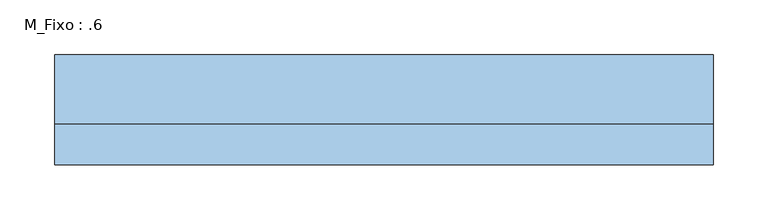
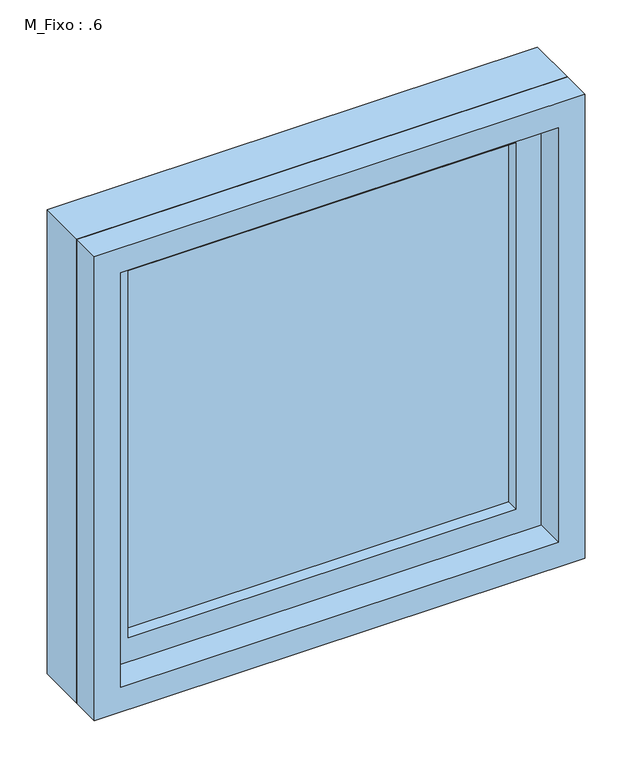
"""IFC4 building model written with IfcOpenShell, lengths in millimetres: window geometry, M_Fixo : .6."""

from ifc_helpers import new_model, si_unit, frame, origin, place, context, project, spatial, polyline, outline, extrude, source, transform, mapped, element, save


def m_fixo_6_28202dff(model_context):
    return source(origin(), model_context, "Body", "SweptSolid", [
        extrude(outline(polyline([(-237.0, 28.0), (237.0, 28.0), (237.0, 16.0), (-237.0, 16.0), (-237.0, 28.0)])), frame((0.0, 0.0, 1163.0), z_axis=(0.0, 0.0, 1.0), x_axis=(1.0, 0.0, 0.0)), (0.0, 0.0, 1.0), 474.0),
        extrude(outline(polyline([(1681.0, -281.0), (1119.0, -281.0), (1119.0, 281.0), (1681.0, 281.0), (1681.0, -281.0)]), holes=[polyline([(1637.0, -237.0), (1637.0, 237.0), (1163.0, 237.0), (1163.0, -237.0), (1637.0, -237.0)])]), frame((0.0, 0.0, 0.0), z_axis=(0.0, 1.0, 0.0), x_axis=(0.0, 0.0, 1.0)), (0.0, 0.0, 1.0), 44.0),
        extrude(outline(polyline([(1700.0, -300.0), (1100.0, -300.0), (1100.0, 300.0), (1700.0, 300.0), (1700.0, -300.0)]), holes=[polyline([(1681.0, -281.0), (1681.0, 281.0), (1119.0, 281.0), (1119.0, -281.0), (1681.0, -281.0)])]), frame((0.0, 0.0, 0.0), z_axis=(0.0, 1.0, 0.0), x_axis=(0.0, 0.0, 1.0)), (0.0, 0.0, 1.0), 63.0),
        extrude(outline(polyline([(1700.0, -300.0), (1100.0, -300.0), (1100.0, 300.0), (1700.0, 300.0), (1700.0, -300.0)]), holes=[polyline([(1668.0, -268.0), (1668.0, 268.0), (1132.0, 268.0), (1132.0, -268.0), (1668.0, -268.0)])]), frame((0.0, -37.0, 0.0), z_axis=(0.0, 1.0, 0.0), x_axis=(0.0, 0.0, 1.0)), (0.0, 0.0, 1.0), 37.0),
    ])


if __name__ == "__main__":
    model = new_model("IFC4")
    model_context = context("Model", 3, world=origin())
    ifc_project = project(units=[si_unit("LENGTHUNIT", "METRE", prefix="MILLI")], contexts=[model_context])
    site = spatial("IfcSite", under=ifc_project)
    building = spatial("IfcBuilding", under=site)
    placement = place(None, origin())
    m_fixo_6_shape = m_fixo_6_28202dff(model_context)
    element("IfcWindow", 1, ObjectType="M_Fixo : .6", at=placement, inside=building, context=model_context, shape_type="MappedRepresentation", body=[
        mapped(m_fixo_6_shape, transform((0.0, 0.0, 0.0), x_axis=(1.0, 0.0, 0.0), y_axis=(0.0, 1.0, 0.0), z_axis=(0.0, 0.0, 1.0))),
    ])
    save(model, "model.ifc")
